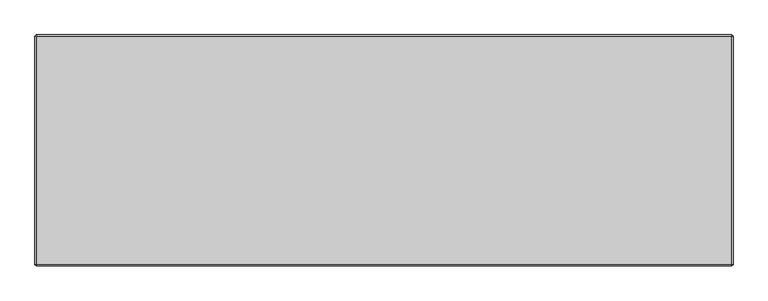
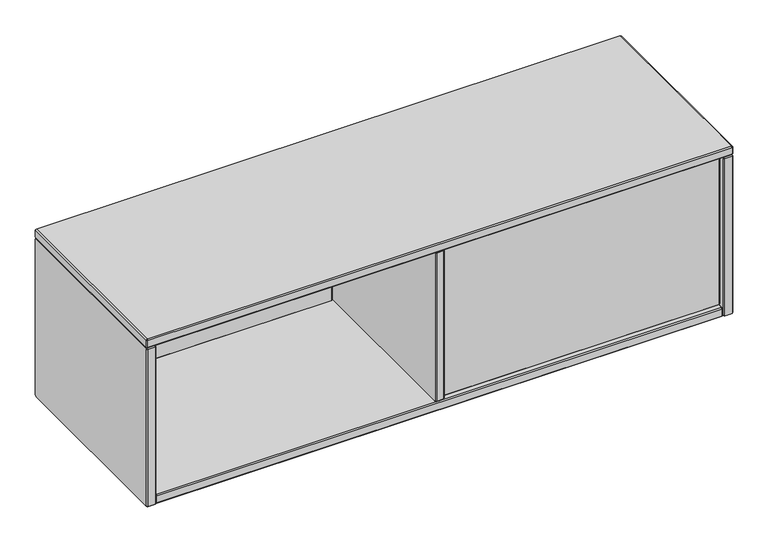
"""IFC4 building model written with IfcOpenShell, lengths in millimetres: furniture geometry."""

from ifc_helpers import new_model, si_unit, origin, place, context, project, spatial, faceted_brep, source, transform, mapped, element, save


def furniture_e98f6d80(model_context):
    return source(origin(), model_context, "Body", "Brep", [
        faceted_brep([(621.029997, -211.044618, 808.7372749), (623.0620027, -209.0126123, 809.5789592), (623.9093, -209.0126135, 808.7316604), (623.0676165, -211.044618, 806.6996555), (623.0676165, -226.2846087, 806.6996555), (621.029997, -226.2846087, 808.7372749), (623.9093008, -228.3166144, 808.7316612), (623.0620019, -228.3166132, 809.5789584), (1196.6344233, -209.0126135, 808.73166), (1197.4761077, -211.044618, 806.6996555), (1197.4761077, -226.2846087, 806.6996555), (1196.6344233, -228.3166144, 808.7316612), (1197.4830011, -209.0126135, 809.5802373), (1199.515006, -211.044618, 808.7385538), (1199.515006, -226.2846087, 808.7385538), (1197.4830003, -228.3166144, 809.5802381), (1197.4830014, -209.0126135, 1134.3338402), (1199.515006, -211.044618, 1135.1755245), (1199.515006, -226.2846087, 1135.1755245), (1197.4830003, -228.3166144, 1134.3338402), (1196.6357129, -209.0126135, 1135.1811292), (1197.4773964, -211.044618, 1137.2131341), (1197.4773964, -226.2846087, 1137.2131341), (1196.6357121, -228.3166144, 1135.1811284), (623.908012, -209.0126135, 1135.1811295), (623.0663277, -211.044618, 1137.2131341), (623.0663277, -226.2846087, 1137.2131341), (623.908012, -228.3166144, 1135.1811284), (623.0620019, -209.0126135, 1134.3351198), (621.029997, -211.044618, 1135.1768034), (621.029997, -226.2846087, 1135.1768034), (623.0620027, -228.3166144, 1134.335119)], [[[0, 1, 2, 3]], [[0, 3, 4, 5]], [[5, 4, 6, 7]], [[3, 2, 8, 9]], [[4, 3, 9, 10]], [[6, 4, 10, 11]], [[9, 8, 12, 13]], [[10, 9, 13, 14]], [[11, 10, 14, 15]], [[13, 12, 16, 17]], [[14, 13, 17, 18]], [[15, 14, 18, 19]], [[17, 16, 20, 21]], [[18, 17, 21, 22]], [[19, 18, 22, 23]], [[21, 20, 24, 25]], [[22, 21, 25, 26]], [[23, 22, 26, 27]], [[25, 24, 28, 29]], [[26, 25, 29, 30]], [[27, 26, 30, 31]], [[1, 0, 29, 28]], [[0, 5, 30, 29]], [[5, 7, 31, 30]], [[2, 1, 28, 24, 20, 16, 12, 8]], [[7, 6, 11, 15, 19, 23, 27, 31]]]),
        faceted_brep([(19.684994, 148.8452595, 808.7372749), (21.7169997, 150.8772652, 809.5789592), (22.5642978, 150.8772652, 808.7316612), (21.7226135, 148.8452595, 806.6996555), (21.7226135, 133.6052689, 806.6996555), (19.684994, 133.6052689, 808.7372749), (22.5642978, 131.5732632, 808.7316612), (21.7169981, 131.5732654, 809.5789576), (598.8454203, 150.8772652, 808.7316612), (599.6871047, 148.8452595, 806.6996555), (599.6871047, 133.6052689, 806.6996555), (598.8454203, 131.5732632, 808.7316612), (599.6939973, 150.8772652, 809.5802381), (601.726003, 148.8452595, 808.7385538), (601.726003, 133.6052689, 808.7385538), (599.6939973, 131.5732632, 809.5802381), (599.6939973, 150.8772652, 1134.3338402), (601.726003, 148.8452595, 1135.1755245), (601.726003, 133.6052689, 1135.1755245), (599.6939973, 131.5732632, 1134.3338402), (598.8467091, 150.8772652, 1135.1811284), (599.6883934, 148.8452595, 1137.2131341), (599.6883934, 133.6052689, 1137.2131341), (598.8467091, 131.5732632, 1135.1811284), (22.5630091, 150.8772652, 1135.1811284), (21.7213247, 148.8452595, 1137.2131341), (21.7213247, 133.6052689, 1137.2131341), (22.5630091, 131.5732632, 1135.1811284), (21.7169997, 150.8772652, 1134.335119), (19.684994, 148.8452595, 1135.1768034), (19.684994, 133.6052689, 1135.1768034), (21.7169997, 131.5732632, 1134.335119)], [[[0, 1, 2, 3]], [[0, 3, 4, 5]], [[5, 4, 6, 7]], [[3, 2, 8, 9]], [[4, 3, 9, 10]], [[6, 4, 10, 11]], [[9, 8, 12, 13]], [[10, 9, 13, 14]], [[11, 10, 14, 15]], [[13, 12, 16, 17]], [[14, 13, 17, 18]], [[15, 14, 18, 19]], [[17, 16, 20, 21]], [[18, 17, 21, 22]], [[19, 18, 22, 23]], [[21, 20, 24, 25]], [[22, 21, 25, 26]], [[23, 22, 26, 27]], [[25, 24, 28, 29]], [[26, 25, 29, 30]], [[27, 26, 30, 31]], [[1, 0, 29, 28]], [[0, 5, 30, 29]], [[5, 7, 31, 30]], [[2, 1, 28, 24, 20, 16, 12, 8]], [[7, 6, 11, 15, 19, 23, 27, 31]]]),
        faceted_brep([(0.381, 160.1899826, 1135.1811289), (0.381, 161.0359948, 1134.3351167), (0.381, 161.0359948, 792.3075981), (0.381, 158.1641576, 789.4295146), (0.381, -237.6617899, 789.4263915), (0.381, -238.507861, 790.2724626), (0.381, -238.5047378, 1134.3351258), (0.381, -237.6587347, 1135.1811289), (19.6849994, 161.035991, 1134.3351129), (19.6849994, 160.1899788, 1135.1811251), (19.6849994, -237.6587347, 1135.1811235), (19.6849994, -238.504734, 1134.335122), (19.6849994, -238.5047325, 790.2755857), (19.6849994, -237.6649092, 789.4295184), (19.6849994, 158.1610344, 789.4263968), (19.6849994, 161.0391141, 792.3044788), (2.4130052, 163.068, 1135.1768008), (2.4130052, 161.0316667, 1137.2131341), (17.6529888, 161.0316667, 1137.2131341), (17.6529888, 163.068, 1135.1768008), (2.4130052, -238.5004189, 1137.2131341), (17.6529888, -238.5004189, 1137.2131341), (2.4130052, -240.5367431, 1135.1768099), (17.6529888, -240.5367431, 1135.1768099), (2.4130052, -240.5367431, 789.4276553), (17.6529888, -240.5367431, 789.4276553), (2.4130052, -238.503474, 787.3943862), (17.6529888, -238.503474, 787.3943862), (2.4130052, 159.0027185, 787.3943862), (17.6529888, 159.0027185, 787.3943862), (2.4130052, 163.068, 791.4596677), (17.6529888, 163.068, 791.4596677)], [[[0, 1, 2, 3, 4, 5, 6, 7]], [[8, 9, 10, 11, 12, 13, 14, 15]], [[16, 1, 0, 17]], [[16, 17, 18, 19]], [[19, 18, 9, 8]], [[17, 0, 7, 20]], [[18, 17, 20, 21]], [[9, 18, 21, 10]], [[20, 7, 6, 22]], [[21, 20, 22, 23]], [[10, 21, 23, 11]], [[22, 6, 5, 24]], [[23, 22, 24, 25]], [[11, 23, 25, 12]], [[24, 5, 4, 26]], [[25, 24, 26, 27]], [[12, 25, 27, 13]], [[26, 4, 3, 28]], [[27, 26, 28, 29]], [[13, 27, 29, 14]], [[28, 3, 2, 30]], [[29, 28, 30, 31]], [[14, 29, 31, 15]], [[1, 16, 30, 2]], [[16, 19, 31, 30]], [[19, 8, 15, 31]]]),
        faceted_brep([(621.0300073, 159.0039823, 1134.3351094), (621.0300073, 158.1579701, 1135.1811216), (621.0300073, -235.5967084, 1135.1811186), (621.0300073, -236.4427043, 1134.3344873), (621.0300073, -236.4420701, 809.5746086), (621.0300073, -235.5994407, 808.7319835), (621.0300073, 156.1290292, 808.7316709), (621.0300073, 159.0039823, 811.6066283), (601.7253716, 158.157531, 1135.1806824), (601.7253716, 159.0035431, 1134.3346703), (601.7253716, 159.0033582, 811.606621), (601.7253716, 156.1285828, 808.7321071), (601.7253716, -235.5991324, 808.732292), (601.7253716, -236.4413183, 809.5747395), (601.7253716, -236.441449, 1134.3351258), (601.7253716, -235.5959464, 1135.1803668), (603.7580082, 161.0359948, 1135.1768008), (603.7580082, 158.9996615, 1137.2131341), (618.9979918, 158.9996615, 1137.2131341), (618.9979918, 161.0359948, 1135.1768008), (603.7580082, -236.4377614, 1137.2131341), (618.9979918, -236.4377614, 1137.2131341), (603.7580082, -238.4740856, 1135.1768099), (618.9979918, -238.4740856, 1135.1768099), (603.7580082, -238.4740856, 808.7329245), (618.9979918, -238.4740856, 808.7329245), (603.7580082, -236.4408165, 806.6996555), (618.9979918, -236.4408165, 806.6996555), (603.7580082, 156.9707133, 806.6996555), (618.9979918, 156.9707133, 806.6996555), (603.7580082, 161.0359948, 810.7649369), (618.9979918, 161.0359948, 810.7649369)], [[[0, 1, 2, 3, 4, 5, 6, 7]], [[8, 9, 10, 11, 12, 13, 14, 15]], [[16, 9, 8, 17]], [[16, 17, 18, 19]], [[19, 18, 1, 0]], [[17, 8, 15, 20]], [[18, 17, 20, 21]], [[1, 18, 21, 2]], [[20, 15, 14, 22]], [[21, 20, 22, 23]], [[2, 21, 23, 3]], [[22, 14, 13, 24]], [[23, 22, 24, 25]], [[3, 23, 25, 4]], [[24, 13, 12, 26]], [[25, 24, 26, 27]], [[4, 25, 27, 5]], [[26, 12, 11, 28]], [[27, 26, 28, 29]], [[5, 27, 29, 6]], [[28, 11, 10, 30]], [[29, 28, 30, 31]], [[6, 29, 31, 7]], [[9, 16, 30, 10]], [[16, 19, 31, 30]], [[19, 0, 7, 31]]]),
        faceted_brep([(1216.7869948, 163.0679927, 1135.1767978), (1201.5470112, 163.0679927, 1135.1767978), (1201.5470112, 161.0316637, 1137.2131268), (1216.7869948, 161.0316637, 1137.2131268), (1201.5470112, -238.5004158, 1137.2131268), (1216.7869948, -238.5004158, 1137.2131268), (1201.5470112, -240.5367358, 1135.1768069), (1216.7869948, -240.5367358, 1135.1768069), (1201.5470112, -240.5367358, 789.4220446), (1216.7869948, -240.5367358, 789.4220446), (1201.5470112, -238.503471, 787.3887798), (1216.7869948, -238.503471, 787.3887798), (1201.5470112, 159.0027155, 787.3887798), (1216.7869948, 159.0027155, 787.3887798), (1201.5470112, 163.0679927, 791.454057), (1216.7869948, 163.0679927, 791.454057), (1218.819, 160.1899796, 1135.1811216), (1218.819, 161.0359875, 1134.3351137), (1199.515006, 161.0359875, 1134.3351137), (1199.5150097, 160.1899822, 1135.1811242), (1218.819, -237.6587317, 1135.1811216), (1199.5150097, -237.6587317, 1135.1811253), (1218.819, -238.5047305, 1134.3351227), (1199.5150097, -238.5047332, 1134.3351254), (1218.819, -238.5047305, 790.2637287), (1199.5150097, -238.5047343, 790.2637287), (1218.819, -237.6617868, 789.420785), (1199.5150097, -237.6617895, 789.4207824), (1218.819, 158.1610314, 789.420785), (1199.5150097, 158.1610314, 789.4207813), (1218.819, 161.0359875, 792.2957411), (1199.5150097, 161.0359901, 792.2957385)], [[[0, 1, 2, 3]], [[3, 2, 4, 5]], [[5, 4, 6, 7]], [[7, 6, 8, 9]], [[9, 8, 10, 11]], [[11, 10, 12, 13]], [[13, 12, 14, 15]], [[1, 0, 15, 14]], [[0, 3, 16, 17]], [[2, 1, 18, 19]], [[3, 5, 20, 16]], [[4, 2, 19, 21]], [[5, 7, 22, 20]], [[6, 4, 21, 23]], [[7, 9, 24, 22]], [[8, 6, 23, 25]], [[9, 11, 26, 24]], [[10, 8, 25, 27]], [[11, 13, 28, 26]], [[12, 10, 27, 29]], [[13, 15, 30, 28]], [[14, 12, 29, 31]], [[15, 0, 17, 30]], [[1, 14, 31, 18]], [[19, 18, 31, 29, 27, 25, 23, 21]], [[17, 16, 20, 22, 24, 26, 28, 30]]]),
        faceted_brep([(2.4142691, 160.1937872, 1137.2131341), (0.381, 161.0359948, 1139.2464031), (2.4130052, 163.068, 1139.2464031), (3.2552128, 161.0347309, 1137.2131341), (0.381, 161.0359948, 1154.4795205), (2.4142691, 160.1937872, 1156.5127895), (3.2552128, 161.0347309, 1156.5127895), (2.4130052, 163.068, 1154.4795205), (1216.7869875, 163.068, 1139.2464031), (1215.9447799, 161.0347309, 1137.2131341), (1215.9447799, 161.0347309, 1156.5127895), (1216.7869875, 163.068, 1154.4795205), (1218.819, 161.0359875, 1139.2464031), (1216.7857309, 160.1937799, 1137.2131341), (1216.7857309, 160.1937799, 1156.5127895), (1218.819, 161.0359875, 1154.4795205), (1218.819, -238.5047363, 1139.2464031), (1216.7857309, -237.6625286, 1137.2131341), (1216.7857309, -237.6625286, 1156.5127895), (1218.819, -238.5047363, 1154.4795205), (1216.7869932, -240.5367431, 1139.2464031), (1215.9447856, -238.503474, 1137.2131341), (1215.9447856, -238.503474, 1156.5127895), (1216.7869932, -240.5367431, 1154.4795205), (2.413, -240.5367431, 1139.2464031), (3.2552076, -238.503474, 1137.2131341), (3.2552076, -238.503474, 1156.5127895), (2.413, -240.5367431, 1154.4795205), (0.381, -238.5047431, 1139.2464031), (2.4142691, -237.6625355, 1137.2131341), (2.4142691, -237.6625355, 1156.5127895), (0.381, -238.5047431, 1154.4795205)], [[[0, 1, 2, 3]], [[4, 5, 6, 7]], [[2, 1, 4, 7]], [[3, 2, 8, 9]], [[7, 6, 10, 11]], [[2, 7, 11, 8]], [[9, 8, 12, 13]], [[11, 10, 14, 15]], [[8, 11, 15, 12]], [[13, 12, 16, 17]], [[15, 14, 18, 19]], [[12, 15, 19, 16]], [[17, 16, 20, 21]], [[19, 18, 22, 23]], [[16, 19, 23, 20]], [[21, 20, 24, 25]], [[23, 22, 26, 27]], [[20, 23, 27, 24]], [[25, 24, 28, 29]], [[27, 26, 30, 31]], [[24, 27, 31, 28]], [[1, 0, 29, 28]], [[5, 4, 31, 30]], [[4, 1, 28, 31]], [[6, 5, 30, 26, 22, 18, 14, 10]], [[0, 3, 9, 13, 17, 21, 25, 29]]]),
        faceted_brep([(21.7182631, 160.1937872, 787.4), (19.684994, 161.0359948, 789.4332691), (21.7169992, 163.068, 789.4332691), (22.5592069, 161.0347309, 787.4), (19.684994, 161.0359948, 804.6663864), (21.7182631, 160.1937872, 806.6996555), (22.5631764, 161.0307614, 806.7052692), (21.7169992, 163.068, 804.6663864), (1197.4829972, 163.068, 789.4332691), (1196.6407896, 161.0347309, 787.4), (1196.6407896, 161.0291172, 806.7052692), (1197.4829972, 163.068, 804.6663864), (1199.5150097, 161.0359875, 789.4332691), (1197.4817406, 160.1937799, 787.4), (1197.4777711, 160.1898103, 806.7052692), (1199.5150097, 161.0359875, 804.6663864), (1199.5150097, -236.4420788, 789.4332691), (1197.4817406, -235.5998711, 787.4), (1197.4761269, -235.5998711, 806.7052692), (1199.5150097, -236.4420788, 804.6663864), (1197.4830029, -238.4740856, 789.4332691), (1196.6407953, -236.4408165, 787.4), (1196.6368258, -236.436847, 806.7052692), (1197.4830029, -238.4740856, 804.6663864), (21.716994, -238.4740856, 789.4332691), (22.5592016, -236.4408165, 787.4), (22.5592016, -236.4352027, 806.7052692), (21.716994, -238.4740856, 804.6663864), (19.684994, -236.4420856, 789.4332691), (21.7182631, -235.599878, 787.4), (21.7222326, -235.5959084, 806.7052692), (19.684994, -236.4420856, 804.6663864)], [[[0, 1, 2, 3]], [[4, 5, 6, 7]], [[2, 1, 4, 7]], [[3, 2, 8, 9]], [[7, 6, 10, 11]], [[2, 7, 11, 8]], [[9, 8, 12, 13]], [[11, 10, 14, 15]], [[8, 11, 15, 12]], [[13, 12, 16, 17]], [[15, 14, 18, 19]], [[12, 15, 19, 16]], [[17, 16, 20, 21]], [[19, 18, 22, 23]], [[16, 19, 23, 20]], [[21, 20, 24, 25]], [[23, 22, 26, 27]], [[20, 23, 27, 24]], [[25, 24, 28, 29]], [[27, 26, 30, 31]], [[24, 27, 31, 28]], [[1, 0, 29, 28]], [[5, 4, 31, 30]], [[4, 1, 28, 31]], [[6, 5, 30, 26, 22, 18, 14, 10]], [[0, 3, 9, 13, 17, 21, 25, 29]]]),
    ])


if __name__ == "__main__":
    model = new_model("IFC4")
    model_context = context("Model", 3, world=origin())
    ifc_project = project(units=[si_unit("LENGTHUNIT", "METRE", prefix="MILLI")], contexts=[model_context])
    site = spatial("IfcSite", under=ifc_project)
    building = spatial("IfcBuilding", under=site)
    placement = place(None, origin())
    furniture_shape = furniture_e98f6d80(model_context)
    element("IfcFurniture", 1, at=placement, inside=building, context=model_context, shape_type="MappedRepresentation", body=[
        mapped(furniture_shape, transform((0.0, 0.0, 0.0), x_axis=(1.0, 0.0, 0.0), y_axis=(0.0, 1.0, 0.0), z_axis=(0.0, 0.0, 1.0))),
    ])
    save(model, "model.ifc")
